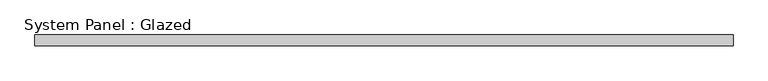
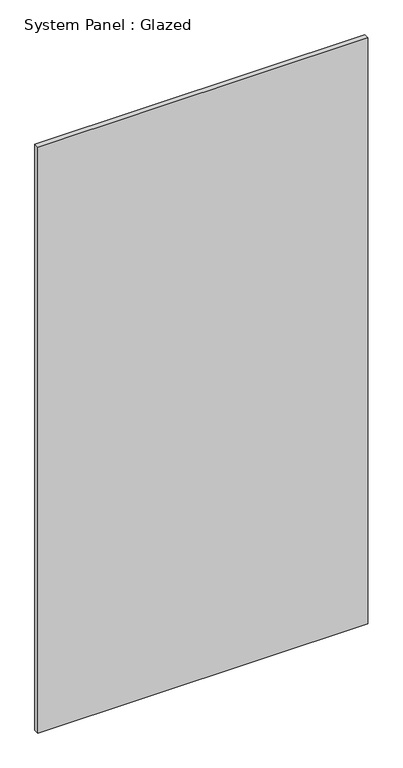
"""IFC4 building model written with IfcOpenShell, lengths in millimetres: plate geometry, System Panel : Glazed."""

from ifc_helpers import new_model, si_unit, origin, origin_with_axes, place, context, project, spatial, polyline, outline, extrude, source, transform, mapped, element, save


def system_panel_glazed_01651906(model_context):
    return source(origin(), model_context, "Body", "SweptSolid", [
        extrude(outline(polyline([(818.25, 19.05), (-818.25, 19.05), (-818.25, 44.45), (818.25, 44.45), (818.25, 19.05)])), origin_with_axes(), (0.0, 0.0, 1.0), 3073.0),
    ])


if __name__ == "__main__":
    model = new_model("IFC4")
    model_context = context("Model", 3, world=origin())
    ifc_project = project(units=[si_unit("LENGTHUNIT", "METRE", prefix="MILLI")], contexts=[model_context])
    site = spatial("IfcSite", under=ifc_project)
    building = spatial("IfcBuilding", under=site)
    placement = place(None, origin())
    system_panel_glazed_shape = system_panel_glazed_01651906(model_context)
    element("IfcPlate", 1, ObjectType="System Panel : Glazed", at=placement, inside=building, context=model_context, shape_type="MappedRepresentation", body=[
        mapped(system_panel_glazed_shape, transform((0.0, 0.0, 0.0), x_axis=(1.0, 0.0, 0.0), y_axis=(0.0, 1.0, 0.0), z_axis=(0.0, 0.0, 1.0))),
    ])
    save(model, "model.ifc")
